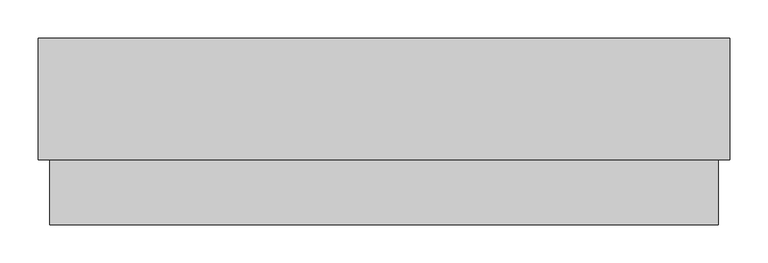
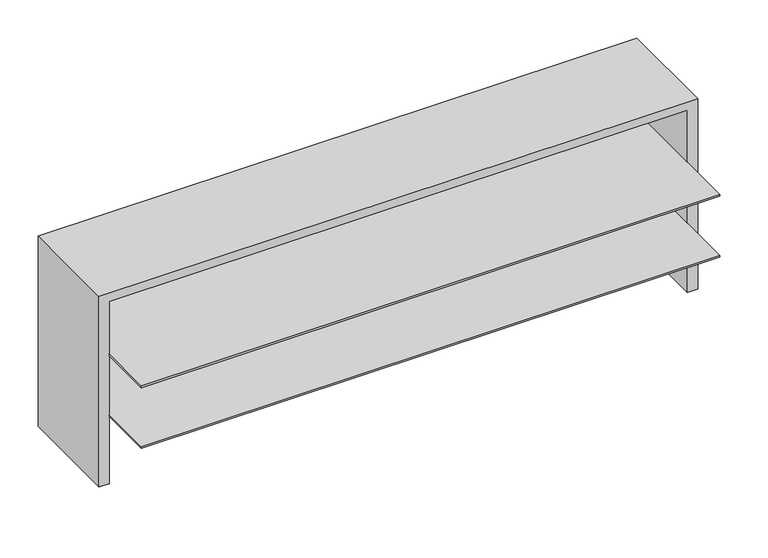
"""IFC4 building model written with IfcOpenShell, lengths in millimetres: furniture geometry."""

from ifc_helpers import new_model, si_unit, frame, origin, place, context, project, spatial, polyline, outline, extrude, faceted_brep, source, transform, mapped, element, save


def furniture_df1eb2b4(model_context):
    return source(origin(), model_context, "Body", "SolidModel", [
        extrude(outline(polyline([(909.828, -3.048), (909.828, -159.893), (897.509, -159.893), (897.509, -22.225), (16.891, -22.225), (16.891, -159.893), (4.572, -159.893), (4.572, -3.048), (909.828, -3.048)])), frame((0.0, 0.0, 561.975), z_axis=(0.0, 0.0, 1.0), x_axis=(1.0, 0.0, 0.0)), (0.0, 0.0, 1.0), 0.8128),
        extrude(outline(polyline([(895.985, -246.46382), (18.415, -246.46382), (18.415, -23.749), (895.985, -23.749), (895.985, -246.46382)])), frame((0.0, 0.0, 768.3838667), z_axis=(0.0, 0.0, 1.0), x_axis=(1.0, 0.0, 0.0)), (0.0, 0.0, 1.0), 2.54),
        extrude(outline(polyline([(895.985, -246.46382), (18.415, -246.46382), (18.415, -23.749), (895.985, -23.749), (895.985, -246.46382)])), frame((0.0, 0.0, 670.7039333), z_axis=(0.0, 0.0, 1.0), x_axis=(1.0, 0.0, 0.0)), (0.0, 0.0, 1.0), 2.54),
        faceted_brep([(911.352, -161.417, 868.6038), (3.048, -161.417, 868.6038), (3.048, -161.417, 562.7878), (18.415, -161.417, 562.7878), (18.415, -161.417, 855.0148), (895.985, -161.417, 855.0148), (895.985, -161.417, 562.7878), (911.352, -161.417, 562.7878), (911.352, -1.524, 868.6038), (911.352, -1.524, 562.7878), (3.048, -1.524, 562.7878), (3.048, -1.524, 868.6038), (895.985, -23.749, 562.7878), (18.415, -23.749, 562.7878), (895.985, -23.749, 855.0148), (18.415, -23.749, 855.0148)], [[[0, 1, 2, 3, 4, 5, 6, 7]], [[8, 9, 10, 11]], [[1, 0, 8, 11]], [[2, 1, 11, 10]], [[10, 9, 7, 6, 12, 13, 3, 2]], [[0, 7, 9, 8]], [[14, 15, 13, 12]], [[15, 14, 5, 4]], [[15, 4, 3, 13]], [[5, 14, 12, 6]]]),
    ])


if __name__ == "__main__":
    model = new_model("IFC4")
    model_context = context("Model", 3, world=origin())
    ifc_project = project(units=[si_unit("LENGTHUNIT", "METRE", prefix="MILLI")], contexts=[model_context])
    site = spatial("IfcSite", under=ifc_project)
    building = spatial("IfcBuilding", under=site)
    placement = place(None, origin())
    furniture_shape = furniture_df1eb2b4(model_context)
    element("IfcFurniture", 1, at=placement, inside=building, context=model_context, shape_type="MappedRepresentation", body=[
        mapped(furniture_shape, transform((0.0, 0.0, 0.0), x_axis=(1.0, 0.0, 0.0), y_axis=(0.0, 1.0, 0.0), z_axis=(0.0, 0.0, 1.0))),
    ])
    save(model, "model.ifc")
